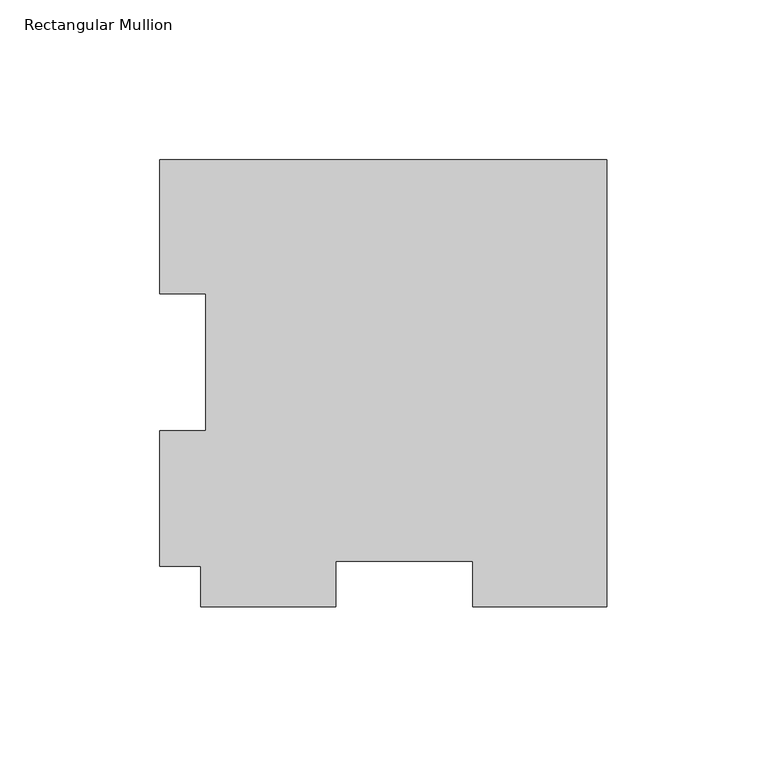
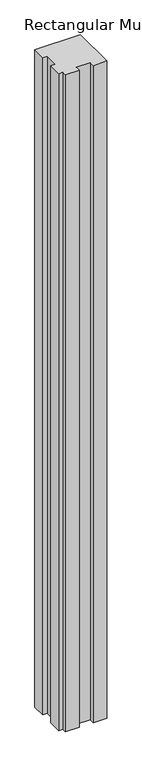
"""IFC4 building model written with IfcOpenShell, lengths in millimetres: member geometry, Rectangular Mullion."""

from ifc_helpers import new_model, si_unit, frame, origin, place, context, project, spatial, polyline, outline, extrude, source, transform, mapped, element, save


def rectangular_mullion_f9f47139(model_context):
    return source(origin(), model_context, "Body", "SweptSolid", [
        extrude(outline(polyline([(-139.7, 84.93125), (-139.7, 126.79045), (0.0, 126.79045), (0.0, -12.90955), (-41.8592, -12.90955), (-41.8592, 1.37795), (-84.709, 1.37795), (-84.709, -12.90955), (-127.0, -12.90955), (-127.0, -0.20955), (-139.7, -0.20955), (-139.7, 42.08145), (-125.4125, 42.08145), (-125.4125, 84.93125), (-139.7, 84.93125)])), frame((0.0, 0.0, -2133.6), z_axis=(0.0, 0.0, 1.0), x_axis=(1.0, 0.0, 0.0)), (0.0, 0.0, 1.0), 2133.6),
    ])


if __name__ == "__main__":
    model = new_model("IFC4")
    model_context = context("Model", 3, world=origin())
    ifc_project = project(units=[si_unit("LENGTHUNIT", "METRE", prefix="MILLI")], contexts=[model_context])
    site = spatial("IfcSite", under=ifc_project)
    building = spatial("IfcBuilding", under=site)
    placement = place(None, origin())
    rectangular_mullion_shape = rectangular_mullion_f9f47139(model_context)
    element("IfcMember", 1, ObjectType="Rectangular Mullion", at=placement, inside=building, context=model_context, shape_type="MappedRepresentation", body=[
        mapped(rectangular_mullion_shape, transform((0.0, 0.0, 0.0), x_axis=(1.0, 0.0, 0.0), y_axis=(0.0, 1.0, 0.0), z_axis=(0.0, 0.0, 1.0))),
    ])
    save(model, "model.ifc")
